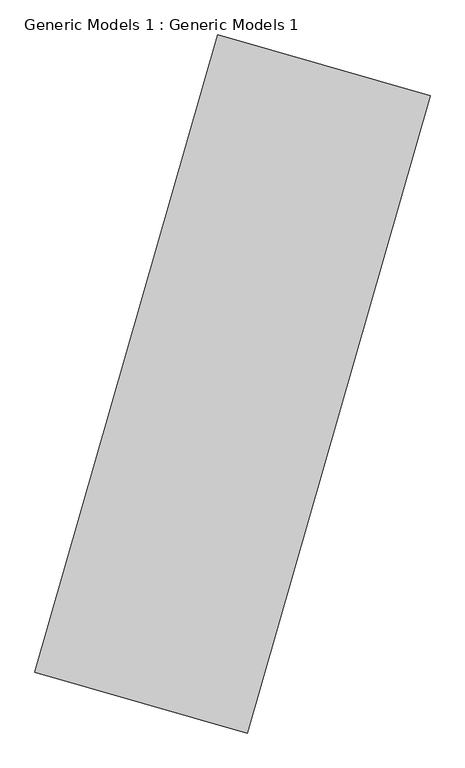
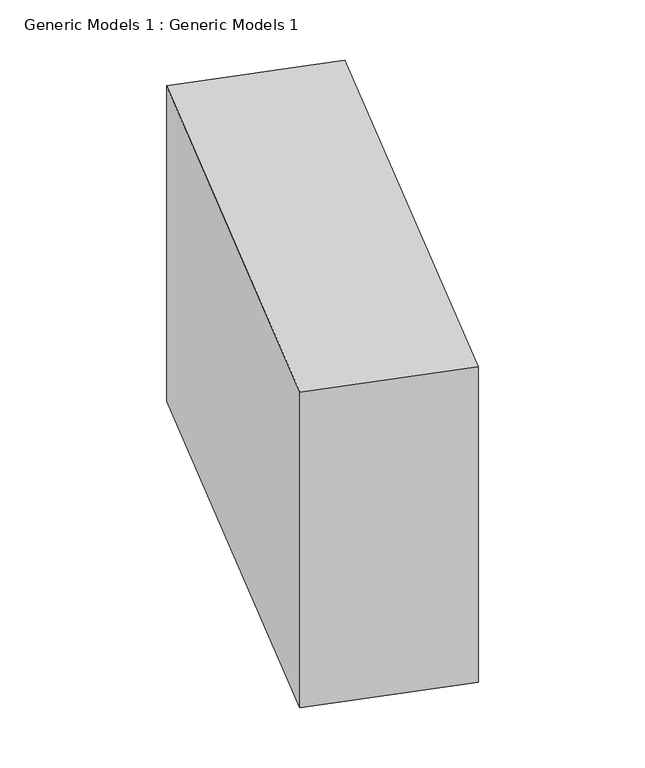
"""IFC4 building model written with IfcOpenShell, lengths in millimetres: proxy geometry, Generic Models 1 : Generic Models 1."""

from ifc_helpers import new_model, si_unit, origin, origin_with_axes, place, context, project, spatial, polyline, outline, extrude, source, transform, mapped, element, save


def generic_models_1_generic_models_1_15d5129f(model_context):
    return source(origin(), model_context, "Body", "SweptSolid", [
        extrude(outline(polyline([(17982.6209044, 3679.5079843), (17701.4708014, 2699.0210544), (17374.6418248, 2792.7377554), (17655.7919277, 3773.2246852), (17982.6209044, 3679.5079843)])), origin_with_axes(), (0.0, 0.0, 1.0), 712.6138216),
    ])


if __name__ == "__main__":
    model = new_model("IFC4")
    model_context = context("Model", 3, world=origin())
    ifc_project = project(units=[si_unit("LENGTHUNIT", "METRE", prefix="MILLI")], contexts=[model_context])
    site = spatial("IfcSite", under=ifc_project)
    building = spatial("IfcBuilding", under=site)
    placement = place(None, origin())
    generic_models_1_generic_models_1_shape = generic_models_1_generic_models_1_15d5129f(model_context)
    element("IfcBuildingElementProxy", 1, Name="Generic Models 1 : Generic Models 1", ObjectType="Generic Models 1 : Generic Models 1", at=placement, inside=building, context=model_context, shape_type="MappedRepresentation", body=[
        mapped(generic_models_1_generic_models_1_shape, transform((0.0, 0.0, 0.0), x_axis=(1.0, 0.0, 0.0), y_axis=(0.0, 1.0, 0.0), z_axis=(0.0, 0.0, 1.0))),
    ])
    save(model, "model.ifc")
